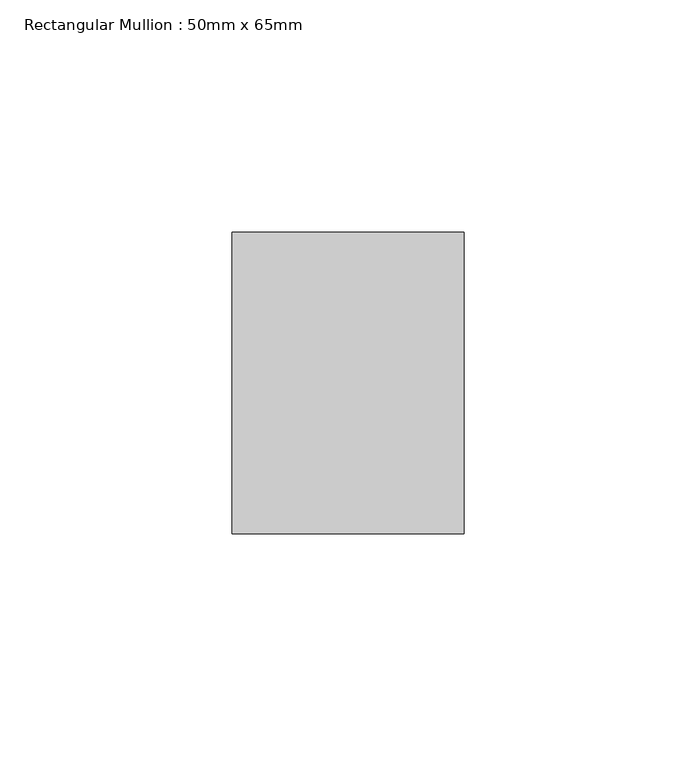
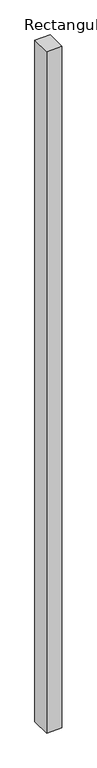
"""IFC4 building model written with IfcOpenShell, lengths in millimetres: member geometry, Rectangular Mullion : 50mm x 65mm."""

from ifc_helpers import new_model, si_unit, frame, origin, place, context, project, spatial, polyline, outline, extrude, source, transform, mapped, element, save


def rectangular_mullion_50mm_x_65mm_c2ad0f57(model_context):
    return source(origin(), model_context, "Body", "SweptSolid", [
        extrude(outline(polyline([(25.0, 32.5), (25.0, -32.5), (-25.0, -32.5), (-25.0, 32.5), (25.0, 32.5)])), frame((0.0, 0.0, -2332.1776033), z_axis=(0.0, 0.0, 1.0), x_axis=(1.0, 0.0, 0.0)), (0.0, 0.0, 1.0), 2332.1776033),
    ])


if __name__ == "__main__":
    model = new_model("IFC4")
    model_context = context("Model", 3, world=origin())
    ifc_project = project(units=[si_unit("LENGTHUNIT", "METRE", prefix="MILLI")], contexts=[model_context])
    site = spatial("IfcSite", under=ifc_project)
    building = spatial("IfcBuilding", under=site)
    placement = place(None, origin())
    rectangular_mullion_50mm_x_65mm_shape = rectangular_mullion_50mm_x_65mm_c2ad0f57(model_context)
    element("IfcMember", 1, ObjectType="Rectangular Mullion : 50mm x 65mm", at=placement, inside=building, context=model_context, shape_type="MappedRepresentation", body=[
        mapped(rectangular_mullion_50mm_x_65mm_shape, transform((0.0, 0.0, 0.0), x_axis=(1.0, 0.0, 0.0), y_axis=(0.0, 1.0, 0.0), z_axis=(0.0, 0.0, 1.0))),
    ])
    save(model, "model.ifc")
